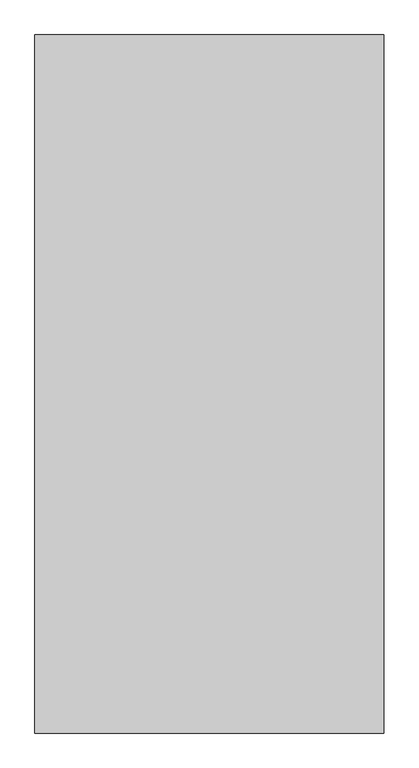
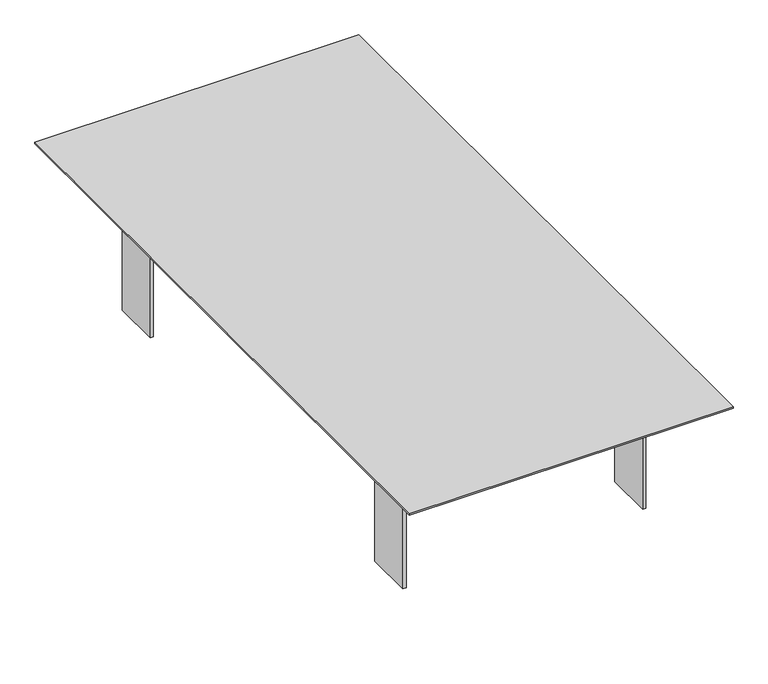
"""IFC4 building model written with IfcOpenShell, lengths in millimetres: proxy geometry."""

from ifc_helpers import new_model, si_unit, point, frame, frame_2d, origin, place, context, project, spatial, polyline, circle_curve, trimmed, segment, composite_curve, outline, extrude, source, transform, mapped, element, save


def generic_models_7a2faf2d(model_context):
    return source(origin(), model_context, "Body", "SweptSolid", [
        extrude(outline(polyline([(1000.0, -2000.0), (-1000.0, -2000.0), (-1000.0, 2000.0), (1000.0, 2000.0), (1000.0, -2000.0)])), frame((0.0, 0.0, 870.0), z_axis=(0.0, 0.0, 1.0), x_axis=(1.0, 0.0, 0.0)), (0.0, 0.0, 1.0), 10.0),
        extrude(outline(composite_curve([segment(trimmed(circle_curve(frame_2d((0.0, 1350.0)), 100.0), [point((-100.0, 1350.0))], [point((100.0, 1350.0))], False, "CARTESIAN"), True, "CONTINUOUS"), segment(trimmed(circle_curve(frame_2d((0.0, 1350.0)), 100.0), [point((100.0, 1350.0))], [point((-100.0, 1350.0))], False, "CARTESIAN"), True, "CONTINUOUS")], self_intersect=False)), frame((0.0, 0.0, 850.0), z_axis=(0.0, 0.0, 1.0), x_axis=(1.0, 0.0, 0.0)), (0.0, 0.0, 1.0), 20.0),
        extrude(outline(composite_curve([segment(polyline([(850.0, 550.0), (850.0, -550.0)]), True, "CONTINUOUS"), segment(trimmed(circle_curve(frame_2d((650.0, -550.0)), 200.0), [point((850.0, -550.0))], [point((650.0, -750.0))], False, "CARTESIAN"), True, "CONTINUOUS"), segment(polyline([(650.0, -750.0), (0.0, -750.0), (0.0, -730.0), (630.0, -730.0)]), True, "CONTINUOUS"), segment(trimmed(circle_curve(frame_2d((630.0, -530.0)), 200.0), [point((630.0, -730.0))], [point((830.0, -530.0))], True, "CARTESIAN"), True, "CONTINUOUS"), segment(polyline([(830.0, -530.0), (830.0, 530.0)]), True, "CONTINUOUS"), segment(trimmed(circle_curve(frame_2d((630.0, 530.0)), 200.0), [point((830.0, 530.0))], [point((630.0, 730.0))], True, "CARTESIAN"), True, "CONTINUOUS"), segment(polyline([(630.0, 730.0), (0.0, 730.0), (0.0, 750.0), (650.0, 750.0)]), True, "CONTINUOUS"), segment(trimmed(circle_curve(frame_2d((650.0, 550.0)), 200.0), [point((650.0, 750.0))], [point((850.0, 550.0))], False, "CARTESIAN"), True, "CONTINUOUS")], self_intersect=False)), frame((0.0, 1200.0, 0.0), z_axis=(0.0, 1.0, 0.0), x_axis=(0.0, 0.0, 1.0)), (0.0, 0.0, 1.0), 300.0),
        extrude(outline(composite_curve([segment(trimmed(circle_curve(frame_2d((0.0, -1350.0)), 100.0), [point((-100.0, -1350.0))], [point((100.0, -1350.0))], False, "CARTESIAN"), True, "CONTINUOUS"), segment(trimmed(circle_curve(frame_2d((0.0, -1350.0)), 100.0), [point((100.0, -1350.0))], [point((-100.0, -1350.0))], False, "CARTESIAN"), True, "CONTINUOUS")], self_intersect=False)), frame((0.0, 0.0, 850.0), z_axis=(0.0, 0.0, 1.0), x_axis=(1.0, 0.0, 0.0)), (0.0, 0.0, 1.0), 20.0),
        extrude(outline(composite_curve([segment(polyline([(850.0, 550.0), (850.0, -550.0)]), True, "CONTINUOUS"), segment(trimmed(circle_curve(frame_2d((650.0, -550.0)), 200.0), [point((850.0, -550.0))], [point((650.0, -750.0))], False, "CARTESIAN"), True, "CONTINUOUS"), segment(polyline([(650.0, -750.0), (0.0, -750.0), (0.0, -730.0), (630.0, -730.0)]), True, "CONTINUOUS"), segment(trimmed(circle_curve(frame_2d((630.0, -530.0)), 200.0), [point((630.0, -730.0))], [point((830.0, -530.0))], True, "CARTESIAN"), True, "CONTINUOUS"), segment(polyline([(830.0, -530.0), (830.0, 530.0)]), True, "CONTINUOUS"), segment(trimmed(circle_curve(frame_2d((630.0, 530.0)), 200.0), [point((830.0, 530.0))], [point((630.0, 730.0))], True, "CARTESIAN"), True, "CONTINUOUS"), segment(polyline([(630.0, 730.0), (0.0, 730.0), (0.0, 750.0), (650.0, 750.0)]), True, "CONTINUOUS"), segment(trimmed(circle_curve(frame_2d((650.0, 550.0)), 200.0), [point((650.0, 750.0))], [point((850.0, 550.0))], False, "CARTESIAN"), True, "CONTINUOUS")], self_intersect=False)), frame((0.0, -1500.0, 0.0), z_axis=(0.0, 1.0, 0.0), x_axis=(0.0, 0.0, 1.0)), (0.0, 0.0, 1.0), 300.0),
    ])


if __name__ == "__main__":
    model = new_model("IFC4")
    model_context = context("Model", 3, world=origin())
    ifc_project = project(units=[si_unit("LENGTHUNIT", "METRE", prefix="MILLI")], contexts=[model_context])
    site = spatial("IfcSite", under=ifc_project)
    building = spatial("IfcBuilding", under=site)
    placement = place(None, origin())
    generic_models_shape = generic_models_7a2faf2d(model_context)
    element("IfcBuildingElementProxy", 1, Name="Generic Models", at=placement, inside=building, context=model_context, shape_type="MappedRepresentation", body=[
        mapped(generic_models_shape, transform((0.0, 0.0, 0.0), x_axis=(1.0, 0.0, 0.0), y_axis=(0.0, 1.0, 0.0), z_axis=(0.0, 0.0, 1.0))),
    ])
    save(model, "model.ifc")
